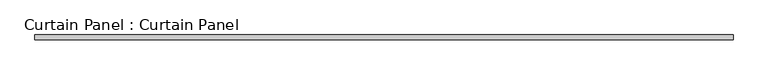
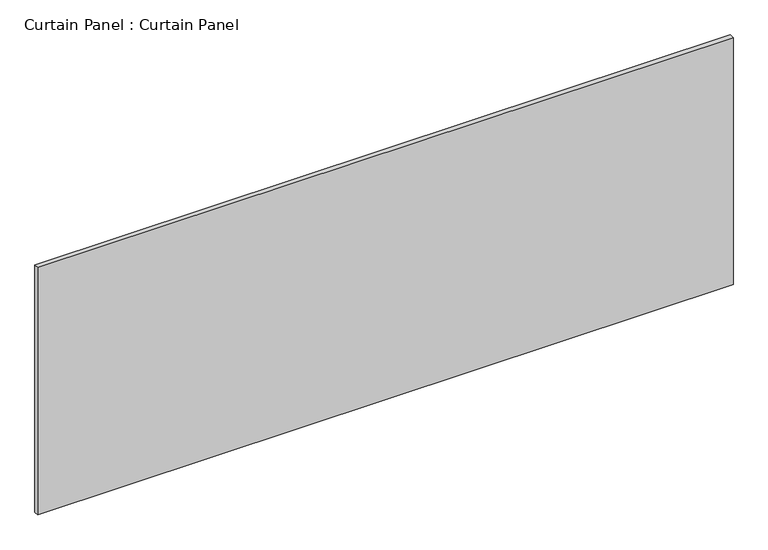
"""IFC4 building model written with IfcOpenShell, lengths in millimetres: plate geometry, Curtain Panel : Curtain Panel."""

from ifc_helpers import new_model, si_unit, frame, origin, place, context, project, spatial, polyline, outline, extrude, source, transform, mapped, element, save


def curtain_panel_curtain_panel_928c244d(model_context):
    return source(origin(), model_context, "Body", "SweptSolid", [
        extrude(outline(polyline([(-126800.3555895, -9130.4431787), (-130583.7717279, -9130.4431787), (-130583.7717279, -9105.0431787), (-126800.3555895, -9105.0431787), (-126800.3555895, -9130.4431787)])), frame((0.0, 0.0, 132.953125), z_axis=(0.0, 0.0, 1.0), x_axis=(1.0, 0.0, 0.0)), (0.0, 0.0, 1.0), 1422.4),
    ])


if __name__ == "__main__":
    model = new_model("IFC4")
    model_context = context("Model", 3, world=origin())
    ifc_project = project(units=[si_unit("LENGTHUNIT", "METRE", prefix="MILLI")], contexts=[model_context])
    site = spatial("IfcSite", under=ifc_project)
    building = spatial("IfcBuilding", under=site)
    placement = place(None, origin())
    curtain_panel_curtain_panel_shape = curtain_panel_curtain_panel_928c244d(model_context)
    element("IfcPlate", 1, ObjectType="Curtain Panel : Curtain Panel", at=placement, inside=building, context=model_context, shape_type="MappedRepresentation", body=[
        mapped(curtain_panel_curtain_panel_shape, transform((0.0, 0.0, 0.0), x_axis=(1.0, 0.0, 0.0), y_axis=(0.0, 1.0, 0.0), z_axis=(0.0, 0.0, 1.0))),
    ])
    save(model, "model.ifc")
